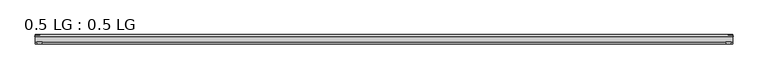
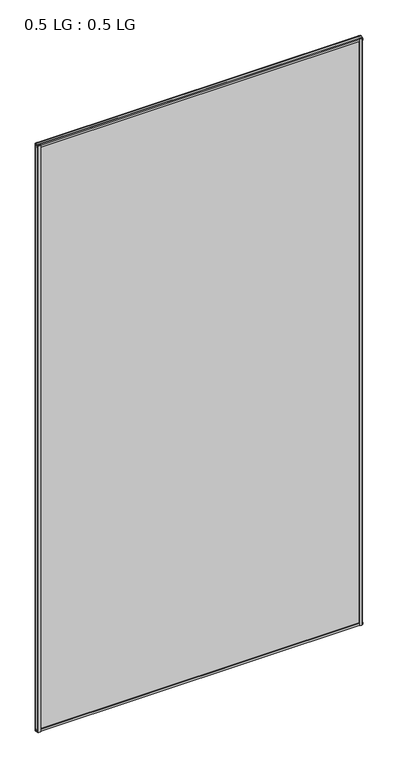
"""IFC4 building model written with IfcOpenShell, lengths in millimetres: plate geometry, 0.5 LG : 0.5 LG."""

from ifc_helpers import new_model, si_unit, frame, origin, origin_with_axes, place, context, project, spatial, polyline, outline, extrude, source, transform, mapped, element, save


def plate_0_5_lg_0_5_lg_ed384f8e(model_context):
    return source(origin(), model_context, "Body", "SweptSolid", [
        extrude(outline(polyline([(-843.1987839, 16.9767247), (-844.4083739, 21.828125), (-830.8508671, 21.828125), (-832.060457, 16.9767247), (-843.1987839, 16.9767247)])), origin_with_axes(), (0.0, 0.0, 1.0), 3231.6054907),
        extrude(outline(polyline([(-848.6447713, 34.680525), (-847.4069584, 39.4557249), (-836.2944499, 39.4557249), (-835.0806468, 34.680525), (-848.6447713, 34.680525)])), origin_with_axes(), (0.0, 0.0, 1.0), 3231.6054907),
        extrude(outline(polyline([(843.1987839, 16.9767247), (832.060457, 16.9767247), (830.8508671, 21.828125), (844.4083739, 21.828125), (843.1987839, 16.9767247)])), origin_with_axes(), (0.0, 0.0, 1.0), 3231.6054907),
        extrude(outline(polyline([(848.6447713, 34.680525), (835.0806468, 34.680525), (836.2944499, 39.4557249), (847.4069584, 39.4557249), (848.6447713, 34.680525)])), origin_with_axes(), (0.0, 0.0, 1.0), 3231.6054907),
        extrude(outline(polyline([(39.4569539, 11.124921), (39.4569539, 0.0005878), (34.680525, -1.2138382), (34.680525, 12.3392211), (39.4569539, 11.124921)])), frame((-847.4069584, 0.0, 0.0), z_axis=(1.0, 0.0, 0.0), x_axis=(0.0, 1.0, 0.0)), (0.0, 0.0, 1.0), 1694.8139168),
        extrude(outline(polyline([(16.9767101, 13.8303088), (21.828125, 15.0636853), (21.828125, 1.4714303), (16.9767101, 2.704584), (16.9767101, 13.8303088)])), frame((-847.4069584, 0.0, 0.0), z_axis=(1.0, 0.0, 0.0), x_axis=(0.0, 1.0, 0.0)), (0.0, 0.0, 1.0), 1694.8139168),
        extrude(outline(polyline([(39.4569539, 3220.4805697), (34.680525, 3219.2662697), (34.680525, 3232.8193289), (39.4569539, 3231.6049029), (39.4569539, 3220.4805697)])), frame((-847.4069584, 0.0, 0.0), z_axis=(1.0, 0.0, 0.0), x_axis=(0.0, 1.0, 0.0)), (0.0, 0.0, 1.0), 1694.8139168),
        extrude(outline(polyline([(16.9767101, 3217.7751819), (16.9767101, 3228.9009068), (21.828125, 3230.1340604), (21.828125, 3216.5418054), (16.9767101, 3217.7751819)])), frame((-847.4069584, 0.0, 0.0), z_axis=(1.0, 0.0, 0.0), x_axis=(0.0, 1.0, 0.0)), (0.0, 0.0, 1.0), 1694.8139168),
        extrude(outline(polyline([(847.4069584, 34.680525), (847.4069584, 21.828125), (-847.4069584, 21.828125), (-847.4069584, 34.680525), (847.4069584, 34.680525)])), origin_with_axes(), (0.0, 0.0, 1.0), 3231.6054907),
    ])


if __name__ == "__main__":
    model = new_model("IFC4")
    model_context = context("Model", 3, world=origin())
    ifc_project = project(units=[si_unit("LENGTHUNIT", "METRE", prefix="MILLI")], contexts=[model_context])
    site = spatial("IfcSite", under=ifc_project)
    building = spatial("IfcBuilding", under=site)
    placement = place(None, origin())
    plate_0_5_lg_0_5_lg_shape = plate_0_5_lg_0_5_lg_ed384f8e(model_context)
    element("IfcPlate", 1, ObjectType="0.5 LG : 0.5 LG", at=placement, inside=building, context=model_context, shape_type="MappedRepresentation", body=[
        mapped(plate_0_5_lg_0_5_lg_shape, transform((0.0, 0.0, 0.0), x_axis=(1.0, 0.0, 0.0), y_axis=(0.0, 1.0, 0.0), z_axis=(0.0, 0.0, 1.0))),
    ])
    save(model, "model.ifc")
